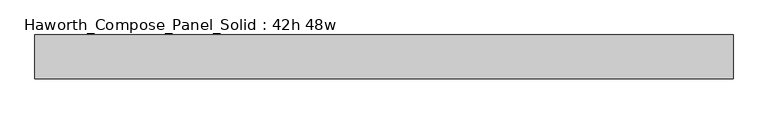
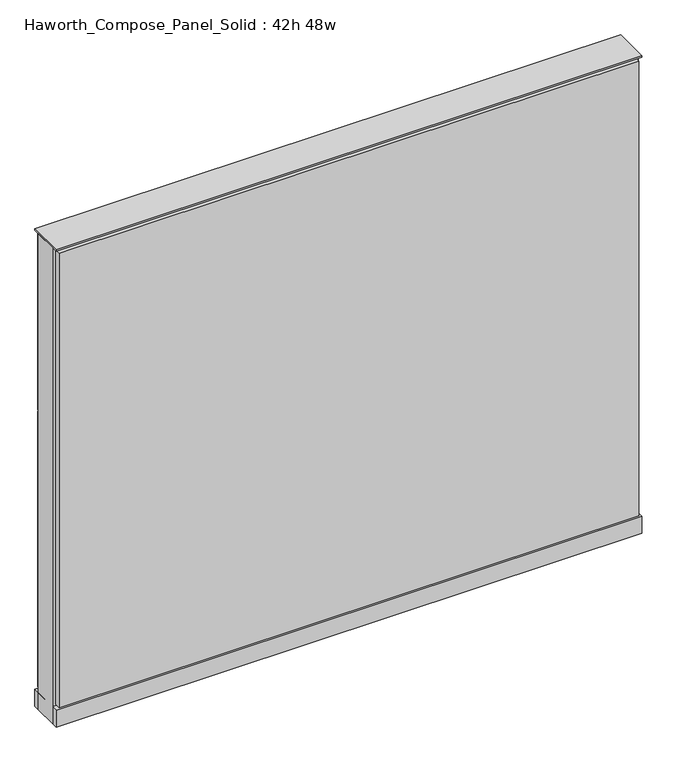
"""IFC4 building model written with IfcOpenShell, lengths in millimetres: furniture geometry, Haworth_Compose_Panel_Solid : 42h 48w."""

from ifc_helpers import new_model, si_unit, point, frame, frame_2d, origin, origin_with_axes, place, context, project, spatial, polyline, circle_curve, trimmed, segment, composite_curve, outline, extrude, source, transform, mapped, element, save


def haworth_compose_panel_solid_42h_48w_94261b14(model_context):
    return source(origin(), model_context, "Body", "SweptSolid", [
        extrude(outline(composite_curve([segment(trimmed(circle_curve(frame_2d((-530.9597098, 0.0)), 12.7), [point((-543.6597098, 0.0))], [point((-518.2597098, 0.0))], False, "CARTESIAN"), True, "CONTINUOUS"), segment(trimmed(circle_curve(frame_2d((-530.9597098, 0.0)), 12.7), [point((-518.2597098, 0.0))], [point((-543.6597098, 0.0))], False, "CARTESIAN"), True, "CONTINUOUS")], self_intersect=False)), origin_with_axes(), (0.0, 0.0, 1.0), 12.7),
        extrude(outline(composite_curve([segment(trimmed(circle_curve(frame_2d((535.8402902, 0.0)), 12.7), [point((523.1402902, 0.0))], [point((548.5402902, 0.0))], False, "CARTESIAN"), True, "CONTINUOUS"), segment(trimmed(circle_curve(frame_2d((535.8402902, 0.0)), 12.7), [point((548.5402902, 0.0))], [point((523.1402902, 0.0))], False, "CARTESIAN"), True, "CONTINUOUS")], self_intersect=False)), origin_with_axes(), (0.0, 0.0, 1.0), 12.7),
        extrude(outline(polyline([(605.6902902, -38.1), (-600.8097098, -38.1), (-600.8097098, -25.4), (605.6902902, -25.4), (605.6902902, -38.1)])), frame((0.0, 0.0, 53.975), z_axis=(0.0, 0.0, 1.0), x_axis=(1.0, 0.0, 0.0)), (0.0, 0.0, 1.0), 1000.125),
        extrude(outline(polyline([(605.6902902, 38.1), (605.6902902, 25.4), (-600.8097098, 25.4), (-600.8097098, 38.1), (605.6902902, 38.1)])), frame((0.0, 0.0, 663.575), z_axis=(0.0, 0.0, 1.0), x_axis=(1.0, 0.0, 0.0)), (0.0, 0.0, 1.0), 390.525),
        extrude(outline(polyline([(605.6902902, 38.1), (605.6902902, 25.4), (-600.8097098, 25.4), (-600.8097098, 38.1), (605.6902902, 38.1)])), frame((0.0, 0.0, 53.975), z_axis=(0.0, 0.0, 1.0), x_axis=(1.0, 0.0, 0.0)), (0.0, 0.0, 1.0), 606.425),
        extrude(outline(polyline([(612.0402902, -25.4), (-607.1597098, -25.4), (-607.1597098, 25.4), (612.0402902, 25.4), (612.0402902, -25.4)])), frame((0.0, 0.0, 12.7), z_axis=(0.0, 0.0, 1.0), x_axis=(1.0, 0.0, 0.0)), (0.0, 0.0, 1.0), 1047.75),
        extrude(outline(polyline([(-607.1597098, 38.1), (612.0402902, 38.1), (612.0402902, -38.1), (-607.1597098, -38.1), (-607.1597098, 38.1)])), frame((0.0, 0.0, 12.7), z_axis=(0.0, 0.0, 1.0), x_axis=(1.0, 0.0, 0.0)), (0.0, 0.0, 1.0), 38.1),
        extrude(outline(polyline([(-607.1597098, 38.1), (612.0402902, 38.1), (612.0402902, -38.1), (-607.1597098, -38.1), (-607.1597098, 38.1)])), frame((0.0, 0.0, 1060.45), z_axis=(0.0, 0.0, 1.0), x_axis=(1.0, 0.0, 0.0)), (0.0, 0.0, 1.0), 3.175),
    ])


if __name__ == "__main__":
    model = new_model("IFC4")
    model_context = context("Model", 3, world=origin())
    ifc_project = project(units=[si_unit("LENGTHUNIT", "METRE", prefix="MILLI")], contexts=[model_context])
    site = spatial("IfcSite", under=ifc_project)
    building = spatial("IfcBuilding", under=site)
    placement = place(None, origin())
    haworth_compose_panel_solid_42h_48w_shape = haworth_compose_panel_solid_42h_48w_94261b14(model_context)
    element("IfcFurniture", 1, ObjectType="Haworth_Compose_Panel_Solid : 42h 48w", at=placement, inside=building, context=model_context, shape_type="MappedRepresentation", body=[
        mapped(haworth_compose_panel_solid_42h_48w_shape, transform((0.0, 0.0, 0.0), x_axis=(1.0, 0.0, 0.0), y_axis=(0.0, 1.0, 0.0), z_axis=(0.0, 0.0, 1.0))),
    ])
    save(model, "model.ifc")
